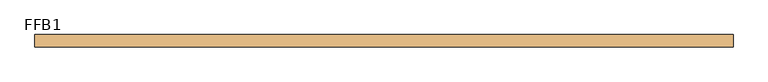
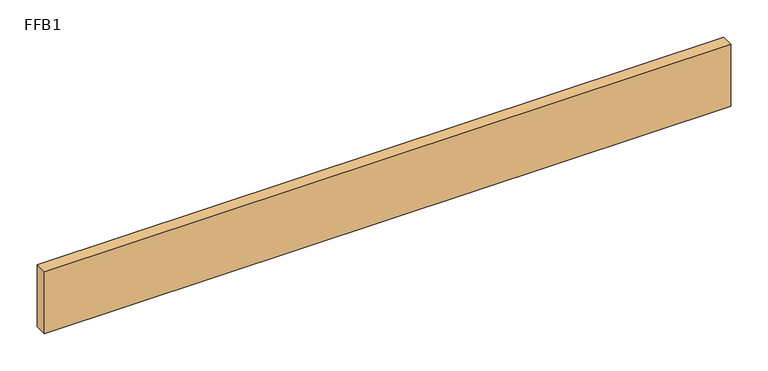
"""IFC4 building model written with IfcOpenShell, lengths in millimetres: door geometry, FFB1."""

from ifc_helpers import new_model, si_unit, origin, origin_with_axes, place, context, project, spatial, polyline, outline, extrude, source, transform, mapped, element, save


def ffb1_84a668f5(model_context):
    return source(origin(), model_context, "Body", "SweptSolid", [
        extrude(outline(polyline([(531.5249999, 0.0), (-531.5249999, 0.0), (-531.5249999, 19.05), (531.5249999, 19.05), (531.5249999, 0.0)])), origin_with_axes(), (0.0, 0.0, 1.0), 101.6),
    ])


if __name__ == "__main__":
    model = new_model("IFC4")
    model_context = context("Model", 3, world=origin())
    ifc_project = project(units=[si_unit("LENGTHUNIT", "METRE", prefix="MILLI")], contexts=[model_context])
    site = spatial("IfcSite", under=ifc_project)
    building = spatial("IfcBuilding", under=site)
    placement = place(None, origin())
    ffb1_shape = ffb1_84a668f5(model_context)
    element("IfcDoor", 1, ObjectType="FFB1", at=placement, inside=building, context=model_context, shape_type="MappedRepresentation", body=[
        mapped(ffb1_shape, transform((0.0, 0.0, 0.0), x_axis=(1.0, 0.0, 0.0), y_axis=(0.0, 1.0, 0.0), z_axis=(0.0, 0.0, 1.0))),
    ])
    save(model, "model.ifc")
